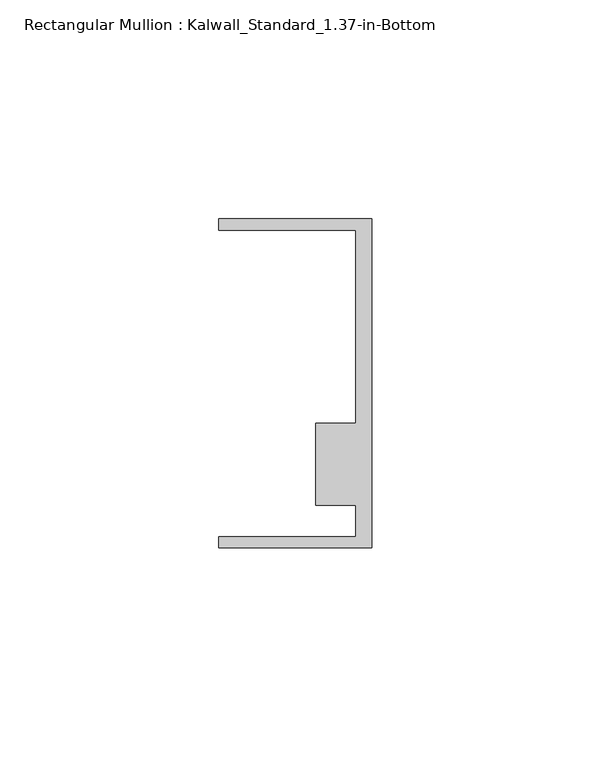
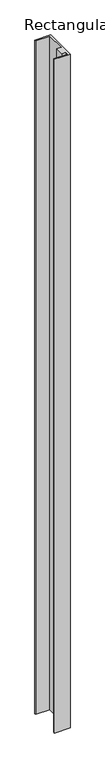
"""IFC4 building model written with IfcOpenShell, lengths in millimetres: member geometry, Rectangular Mullion : Kalwall_Standard_1.37-in-Bottom."""

from ifc_helpers import new_model, si_unit, frame, origin, place, context, project, spatial, polyline, outline, extrude, source, transform, mapped, element, save


def rectangular_mullion_kalwall_standard_1_37_in_bottom_c3c9ab29(model_context):
    return source(origin(), model_context, "Body", "SweptSolid", [
        extrude(outline(polyline([(0.0, -37.5776386), (-34.925, -37.5776386), (-34.925, -35.0376386), (-3.7084, -35.0376386), (-3.7084, -27.8888568), (-12.8272539, -27.8888568), (-12.8272539, -9.1879886), (-3.7084, -9.1879886), (-3.7084, 34.9623614), (-34.925, 34.9623614), (-34.925, 37.5023614), (0.0, 37.5023614), (0.0, -37.5776386)])), frame((0.0, 0.0, -1585.0068), z_axis=(0.0, 0.0, 1.0), x_axis=(1.0, 0.0, 0.0)), (0.0, 0.0, 1.0), 1585.0068),
    ])


if __name__ == "__main__":
    model = new_model("IFC4")
    model_context = context("Model", 3, world=origin())
    ifc_project = project(units=[si_unit("LENGTHUNIT", "METRE", prefix="MILLI")], contexts=[model_context])
    site = spatial("IfcSite", under=ifc_project)
    building = spatial("IfcBuilding", under=site)
    placement = place(None, origin())
    rectangular_mullion_kalwall_standard_1_37_in_bottom_shape = rectangular_mullion_kalwall_standard_1_37_in_bottom_c3c9ab29(model_context)
    element("IfcMember", 1, ObjectType="Rectangular Mullion : Kalwall_Standard_1.37-in-Bottom", at=placement, inside=building, context=model_context, shape_type="MappedRepresentation", body=[
        mapped(rectangular_mullion_kalwall_standard_1_37_in_bottom_shape, transform((0.0, 0.0, 0.0), x_axis=(1.0, 0.0, 0.0), y_axis=(0.0, 1.0, 0.0), z_axis=(0.0, 0.0, 1.0))),
    ])
    save(model, "model.ifc")
